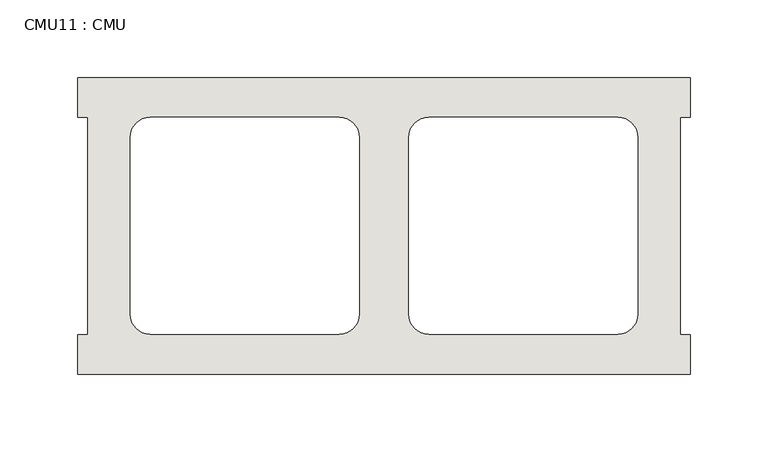
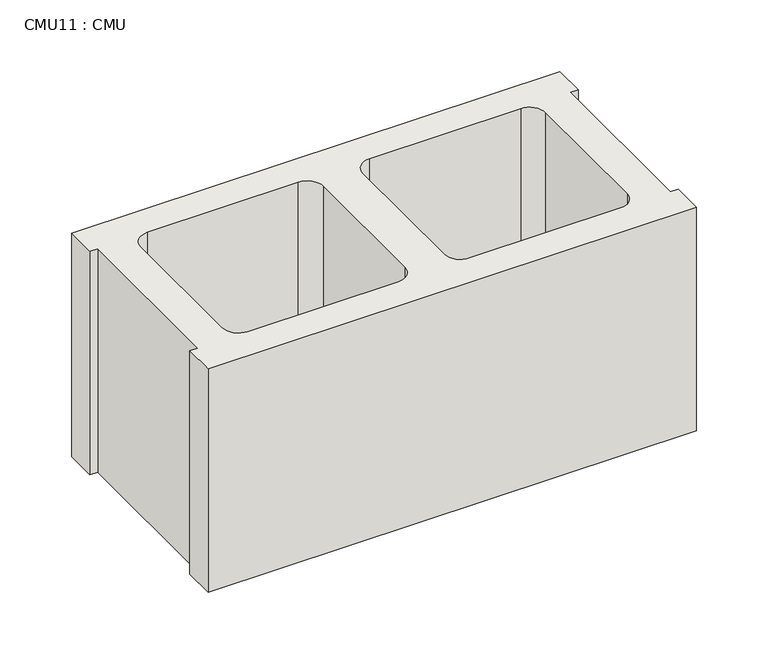
"""IFC4 building model written with IfcOpenShell, lengths in millimetres: wall geometry, CMU11 : CMU."""

from ifc_helpers import new_model, si_unit, point, frame, frame_2d, origin, place, context, project, spatial, polyline, circle_curve, trimmed, segment, composite_curve, outline, extrude, source, transform, mapped, element, save


def cmu11_cmu_eff254b8(model_context):
    return source(origin(), model_context, "Body", "SweptSolid", [
        extrude(outline(polyline([(-1210.1785982, 3347.4652891), (-816.4785982, 3347.4652891), (-816.4785982, 3322.0652891), (-822.8285982, 3322.0652891), (-822.8285982, 3182.3652891), (-816.4785982, 3182.3652891), (-816.4785982, 3156.9652891), (-1210.1785982, 3156.9652891), (-1210.1785982, 3182.3652891), (-1203.8285982, 3182.3652891), (-1203.8285982, 3322.0652891), (-1210.1785982, 3322.0652891), (-1210.1785982, 3347.4652891)]), holes=[composite_curve([segment(polyline([(-1042.0105995, 3322.0652891), (-1163.7272496, 3322.0652891)]), True, "CONTINUOUS"), segment(trimmed(circle_curve(frame_2d((-1163.7272496, 3309.3652891)), 12.7), [point((-1163.7272496, 3322.0652891))], [point((-1176.4272496, 3309.3652891))], True, "CARTESIAN"), True, "CONTINUOUS"), segment(polyline([(-1176.4272496, 3309.3652891), (-1176.4272496, 3195.2994494)]), True, "CONTINUOUS"), segment(trimmed(circle_curve(frame_2d((-1163.7272496, 3195.2994494)), 12.7), [point((-1176.4272496, 3195.2994494))], [point((-1163.7272496, 3182.5994494))], True, "CARTESIAN"), True, "CONTINUOUS"), segment(polyline([(-1163.7272496, 3182.5994494), (-1042.0105995, 3182.5994494)]), True, "CONTINUOUS"), segment(trimmed(circle_curve(frame_2d((-1042.0105995, 3195.2994494)), 12.7), [point((-1042.0105995, 3182.5994494))], [point((-1029.3105995, 3195.2994494))], True, "CARTESIAN"), True, "CONTINUOUS"), segment(polyline([(-1029.3105995, 3195.2994494), (-1029.3105995, 3309.3652891)]), True, "CONTINUOUS"), segment(trimmed(circle_curve(frame_2d((-1042.0105995, 3309.3652891)), 12.7), [point((-1029.3105995, 3309.3652891))], [point((-1042.0105995, 3322.0652891))], True, "CARTESIAN"), True, "CONTINUOUS")], self_intersect=False), composite_curve([segment(trimmed(circle_curve(frame_2d((-984.6465969, 3309.3652891)), 12.7), [point((-984.6465969, 3322.0652891))], [point((-997.3465969, 3309.3652891))], True, "CARTESIAN"), True, "CONTINUOUS"), segment(polyline([(-997.3465969, 3309.3652891), (-997.3465969, 3195.2994494)]), True, "CONTINUOUS"), segment(trimmed(circle_curve(frame_2d((-984.6465969, 3195.2994494)), 12.7), [point((-997.3465969, 3195.2994494))], [point((-984.6465969, 3182.5994494))], True, "CARTESIAN"), True, "CONTINUOUS"), segment(polyline([(-984.6465969, 3182.5994494), (-862.9299468, 3182.5994494)]), True, "CONTINUOUS"), segment(trimmed(circle_curve(frame_2d((-862.9299468, 3195.2994494)), 12.7), [point((-862.9299468, 3182.5994494))], [point((-850.2299468, 3195.2994494))], True, "CARTESIAN"), True, "CONTINUOUS"), segment(polyline([(-850.2299468, 3195.2994494), (-850.2299468, 3309.3652891)]), True, "CONTINUOUS"), segment(trimmed(circle_curve(frame_2d((-862.9299468, 3309.3652891)), 12.7), [point((-850.2299468, 3309.3652891))], [point((-862.9299468, 3322.0652891))], True, "CARTESIAN"), True, "CONTINUOUS"), segment(polyline([(-862.9299468, 3322.0652891), (-984.6465969, 3322.0652891)]), True, "CONTINUOUS")], self_intersect=False)]), frame((0.0, 0.0, 406.4), z_axis=(0.0, 0.0, 1.0), x_axis=(1.0, 0.0, 0.0)), (0.0, 0.0, 1.0), 190.5),
    ])


if __name__ == "__main__":
    model = new_model("IFC4")
    model_context = context("Model", 3, world=origin())
    ifc_project = project(units=[si_unit("LENGTHUNIT", "METRE", prefix="MILLI")], contexts=[model_context])
    site = spatial("IfcSite", under=ifc_project)
    building = spatial("IfcBuilding", under=site)
    placement = place(None, origin())
    cmu11_cmu_shape = cmu11_cmu_eff254b8(model_context)
    element("IfcWall", 1, ObjectType="CMU11 : CMU", at=placement, inside=building, context=model_context, shape_type="MappedRepresentation", body=[
        mapped(cmu11_cmu_shape, transform((0.0, 0.0, 0.0), x_axis=(1.0, 0.0, 0.0), y_axis=(0.0, 1.0, 0.0), z_axis=(0.0, 0.0, 1.0))),
    ])
    save(model, "model.ifc")
